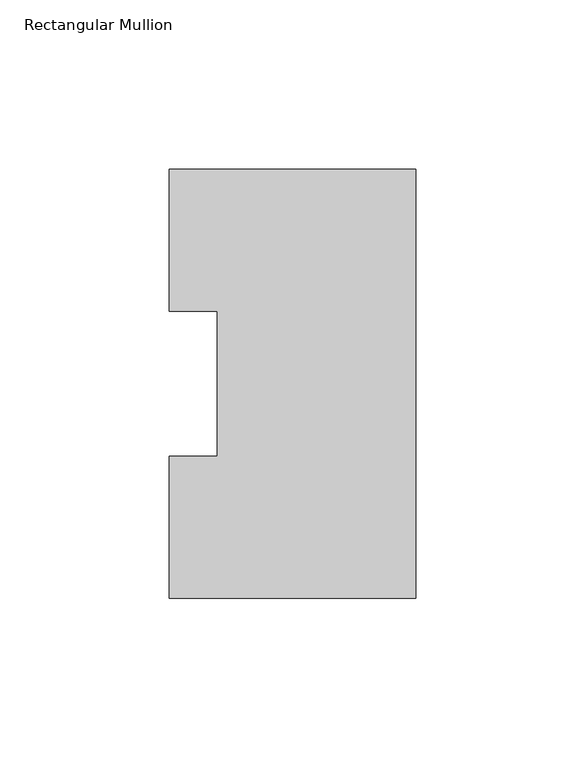
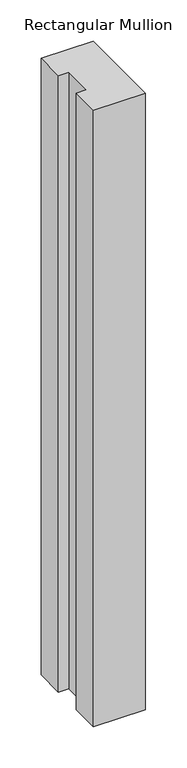
"""IFC4 building model written with IfcOpenShell, lengths in millimetres: member geometry, Rectangular Mullion."""

from ifc_helpers import new_model, si_unit, frame, origin, place, context, project, spatial, polyline, outline, extrude, source, transform, mapped, element, save


def rectangular_mullion_a8d14e9b(model_context):
    return source(origin(), model_context, "Body", "SweptSolid", [
        extrude(outline(polyline([(-73.025, 127.00635), (0.0, 127.00635), (0.0, 0.00635), (-73.025, 0.00635), (-73.025, 42.08145), (-58.725404, 42.08145), (-58.725404, 84.93125), (-73.025, 84.93125), (-73.025, 127.00635)])), frame((0.0, 0.0, -914.4), z_axis=(0.0, 0.0, 1.0), x_axis=(1.0, 0.0, 0.0)), (0.0, 0.0, 1.0), 914.4),
    ])


if __name__ == "__main__":
    model = new_model("IFC4")
    model_context = context("Model", 3, world=origin())
    ifc_project = project(units=[si_unit("LENGTHUNIT", "METRE", prefix="MILLI")], contexts=[model_context])
    site = spatial("IfcSite", under=ifc_project)
    building = spatial("IfcBuilding", under=site)
    placement = place(None, origin())
    rectangular_mullion_shape = rectangular_mullion_a8d14e9b(model_context)
    element("IfcMember", 1, ObjectType="Rectangular Mullion", at=placement, inside=building, context=model_context, shape_type="MappedRepresentation", body=[
        mapped(rectangular_mullion_shape, transform((0.0, 0.0, 0.0), x_axis=(1.0, 0.0, 0.0), y_axis=(0.0, 1.0, 0.0), z_axis=(0.0, 0.0, 1.0))),
    ])
    save(model, "model.ifc")
